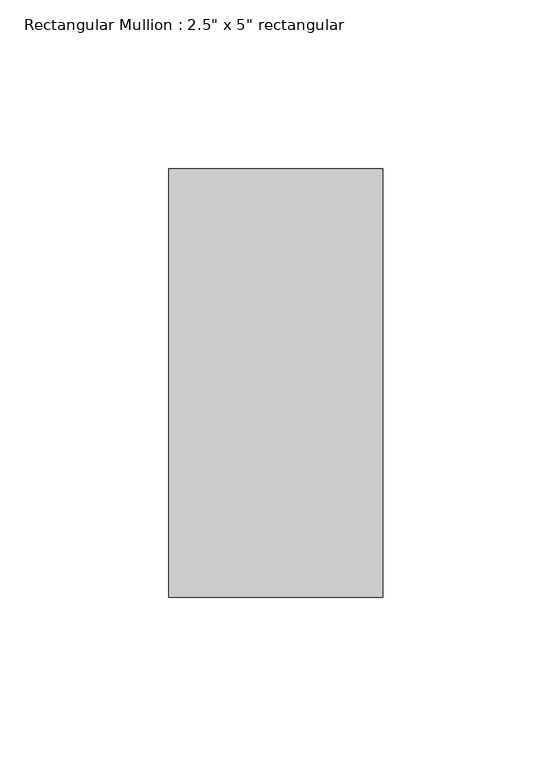
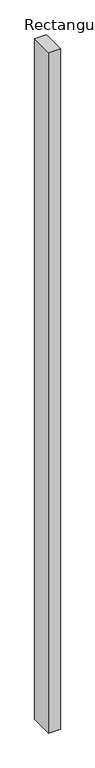
"""IFC4 building model written with IfcOpenShell, lengths in millimetres: member geometry."""

from ifc_helpers import new_model, si_unit, frame, origin, place, context, project, spatial, polyline, outline, extrude, source, transform, mapped, element, save


def member_76dc4627(model_context):
    return source(origin(), model_context, "Body", "SweptSolid", [
        extrude(outline(polyline([(31.75, 63.5), (31.75, -63.5), (-31.75, -63.5), (-31.75, 63.5), (31.75, 63.5)])), frame((0.0, 0.0, -3833.912924), z_axis=(0.0, 0.0, 1.0), x_axis=(1.0, 0.0, 0.0)), (0.0, 0.0, 1.0), 3833.912924),
    ])


if __name__ == "__main__":
    model = new_model("IFC4")
    model_context = context("Model", 3, world=origin())
    ifc_project = project(units=[si_unit("LENGTHUNIT", "METRE", prefix="MILLI")], contexts=[model_context])
    site = spatial("IfcSite", under=ifc_project)
    building = spatial("IfcBuilding", under=site)
    placement = place(None, origin())
    member_shape = member_76dc4627(model_context)
    element("IfcMember", 1, ObjectType="Rectangular Mullion : 2.5\" x 5\" rectangular", at=placement, inside=building, context=model_context, shape_type="MappedRepresentation", body=[
        mapped(member_shape, transform((0.0, 0.0, 0.0), x_axis=(1.0, 0.0, 0.0), y_axis=(0.0, 1.0, 0.0), z_axis=(0.0, 0.0, 1.0))),
    ])
    save(model, "model.ifc")
